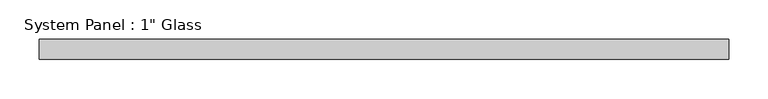
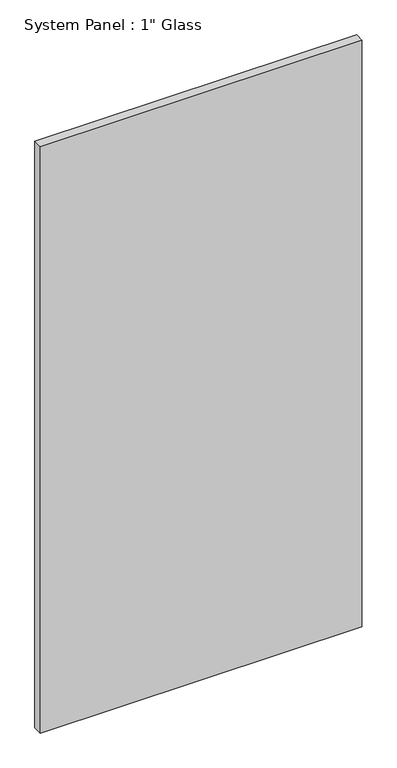
"""IFC4 building model written with IfcOpenShell, lengths in millimetres: plate geometry."""

from ifc_helpers import new_model, si_unit, origin, origin_with_axes, place, context, project, spatial, polyline, outline, extrude, source, transform, mapped, element, save


def plate_8d642472(model_context):
    return source(origin(), model_context, "Body", "SweptSolid", [
        extrude(outline(polyline([(439.8075975, -12.7), (-439.8075975, -12.7), (-439.8075975, 12.7), (439.8075975, 12.7), (439.8075975, -12.7)])), origin_with_axes(), (0.0, 0.0, 1.0), 1695.45),
    ])


if __name__ == "__main__":
    model = new_model("IFC4")
    model_context = context("Model", 3, world=origin())
    ifc_project = project(units=[si_unit("LENGTHUNIT", "METRE", prefix="MILLI")], contexts=[model_context])
    site = spatial("IfcSite", under=ifc_project)
    building = spatial("IfcBuilding", under=site)
    placement = place(None, origin())
    plate_shape = plate_8d642472(model_context)
    element("IfcPlate", 1, ObjectType="System Panel : 1\" Glass", at=placement, inside=building, context=model_context, shape_type="MappedRepresentation", body=[
        mapped(plate_shape, transform((0.0, 0.0, 0.0), x_axis=(1.0, 0.0, 0.0), y_axis=(0.0, 1.0, 0.0), z_axis=(0.0, 0.0, 1.0))),
    ])
    save(model, "model.ifc")
